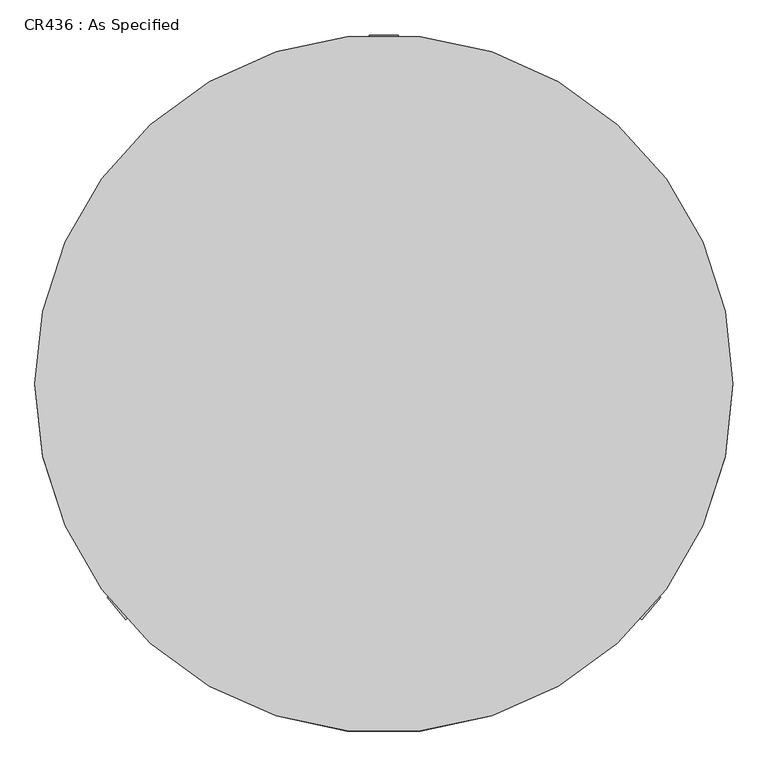
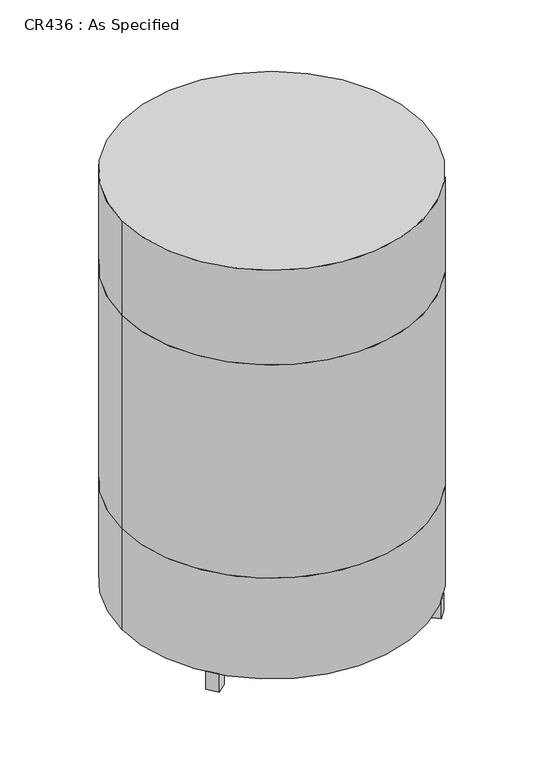
"""IFC4 building model written with IfcOpenShell, lengths in millimetres: proxy geometry, CR436 : As Specified."""

import ifcopenshell
import ifcopenshell.guid

model = None  # the IFC model being written
_history = None  # IfcOwnerHistory: only IFC2X3 demands one
_inside = {}  # id of a spatial element -> (the spatial element, [elements in it])
_under = {}  # id of a project, library or spatial element -> (it, [spatial elements below it])
_declared = {}  # id of a project -> (the project, [libraries it declares])
_typed = {}  # id of a type object -> (the type object, [elements of that type])
_made_of = {}  # id of a material, layer set ... -> (it, [elements and type objects made of it])


def new_model(schema):
    """Start an empty IFC model of exactly this schema.

    Asked for "IFC4X3", IfcOpenShell would pick the latest addendum, in which some entities
    have other attributes; the version numbers below select the first issue.
    IFC2X3 requires an IfcOwnerHistory on every rooted entity: one is made here for all.
    """
    global model, _history
    if schema == "IFC4X3":
        model = ifcopenshell.file(schema_version=(4, 3, 0, 0))
    else:
        model = ifcopenshell.file(schema=schema)
    _inside.clear()
    _under.clear()
    _declared.clear()
    _typed.clear()
    _made_of.clear()
    _history = None
    if model.schema == "IFC2X3":
        org = make("IfcOrganization", Name="unknown")
        user = make(
            "IfcPersonAndOrganization",
            ThePerson=make("IfcPerson", FamilyName="unknown"),
            TheOrganization=org,
        )
        app = make(
            "IfcApplication",
            ApplicationDeveloper=org,
            Version="unknown",
            ApplicationFullName="unknown",
            ApplicationIdentifier="unknown",
        )
        _history = make(
            "IfcOwnerHistory",
            OwningUser=user,
            OwningApplication=app,
            ChangeAction="ADDED",
            CreationDate=0,
        )
    return model


def make(cls, **values):
    """One entity of the class cls with the attributes given. An attribute that is None is left unset."""
    return model.create_entity(
        cls, **{name: value for name, value in values.items() if value is not None}
    )


def rooted(cls, **values):
    """An entity with a GlobalId (a new one), such as an element, a storey or a relation."""
    return make(cls, GlobalId=ifcopenshell.guid.new(), OwnerHistory=_history, **values)


def si_unit(unit_type, name, prefix=None):
    """IfcSIUnit, for example si_unit("LENGTHUNIT", "METRE", prefix="MILLI")."""
    return make("IfcSIUnit", UnitType=unit_type, Prefix=prefix, Name=name)


def assignment(units):
    """IfcUnitAssignment: the units of a project."""
    return None if units is None else make("IfcUnitAssignment", Units=units)


def point(xyz):
    """IfcCartesianPoint."""
    return None if xyz is None else make("IfcCartesianPoint", Coordinates=xyz)


def direction(xyz):
    """IfcDirection."""
    return None if xyz is None else make("IfcDirection", DirectionRatios=xyz)


def frame(location, z_axis=None, x_axis=None):
    """IfcAxis2Placement3D, a coordinate frame: its origin and axes. An axis left out is left unset."""
    return make(
        "IfcAxis2Placement3D",
        Location=point(location),
        Axis=direction(z_axis),
        RefDirection=direction(x_axis),
    )


def frame_2d(location, x_axis=None):
    """IfcAxis2Placement2D, a coordinate frame in the plane: its origin and x axis."""
    return make(
        "IfcAxis2Placement2D", Location=point(location), RefDirection=direction(x_axis)
    )


def origin():
    """The frame at (0, 0, 0) with its axes left unset."""
    return frame((0.0, 0.0, 0.0))


def origin_with_axes():
    """The frame at (0, 0, 0) with the z axis (0, 0, 1) and the x axis (1, 0, 0) written out."""
    return frame((0.0, 0.0, 0.0), z_axis=(0.0, 0.0, 1.0), x_axis=(1.0, 0.0, 0.0))


def origin_2d():
    """The frame at (0, 0) in the plane with its x axis left unset."""
    return frame_2d((0.0, 0.0))


def place(relative_to, where):
    """IfcLocalPlacement: puts the frame where relative to a parent placement (None: the world)."""
    return make(
        "IfcLocalPlacement", PlacementRelTo=relative_to, RelativePlacement=where
    )


def context(
    kind, dimensions, precision=None, world=None, true_north=None, identifier=None
):
    """IfcGeometricRepresentationContext, for example the 3D "Model" context."""
    return make(
        "IfcGeometricRepresentationContext",
        ContextIdentifier=identifier,
        ContextType=kind,
        CoordinateSpaceDimension=dimensions,
        Precision=precision,
        WorldCoordinateSystem=world,
        TrueNorth=true_north,
    )


def project(units=None, contexts=None):
    """IfcProject with its units and contexts."""
    return rooted(
        "IfcProject",
        Name="project",
        RepresentationContexts=contexts,
        UnitsInContext=assignment(units),
    )


def spatial(cls, under=None, at=None, **own):
    """A site, building, storey or space (cls), placed at a placement, below another one or the project."""
    s = rooted(cls, ObjectPlacement=at, **own)
    if under is not None:
        _under.setdefault(under.id(), (under, []))[1].append(s)
    return s


def polyline(points):
    """IfcPolyline through the points."""
    return make("IfcPolyline", Points=[point(p) for p in points])


def circle_curve(where, radius):
    """IfcCircle in the frame where."""
    return make("IfcCircle", Position=where, Radius=radius)


def trimmed(basis, trim1, trim2, sense, master):
    """IfcTrimmedCurve: the piece of a basis curve between two trims."""
    return make(
        "IfcTrimmedCurve",
        BasisCurve=basis,
        Trim1=trim1,
        Trim2=trim2,
        SenseAgreement=sense,
        MasterRepresentation=master,
    )


def segment(curve, same_sense, transition):
    """IfcCompositeCurveSegment."""
    return make(
        "IfcCompositeCurveSegment",
        Transition=transition,
        SameSense=same_sense,
        ParentCurve=curve,
    )


def composite_curve(segments, self_intersect=None):
    """IfcCompositeCurve: segments joined end to end."""
    return make("IfcCompositeCurve", Segments=segments, SelfIntersect=self_intersect)


def outline(outer, holes=None, kind="AREA"):
    """IfcArbitraryClosedProfileDef: a profile drawn as a closed curve; with holes, ...WithVoids."""
    if holes is None:
        return make("IfcArbitraryClosedProfileDef", ProfileType=kind, OuterCurve=outer)
    return make(
        "IfcArbitraryProfileDefWithVoids",
        ProfileType=kind,
        OuterCurve=outer,
        InnerCurves=holes,
    )


def extrude(swept, where, along, depth):
    """IfcExtrudedAreaSolid: the profile swept, set in the frame where, extruded along a direction by depth."""
    return make(
        "IfcExtrudedAreaSolid",
        SweptArea=swept,
        Position=where,
        ExtrudedDirection=direction(along),
        Depth=depth,
    )


def shape(context_of_items, identifier, shape_type, items):
    """IfcShapeRepresentation: the items that make up one representation, for example the "Body"."""
    return make(
        "IfcShapeRepresentation",
        ContextOfItems=context_of_items,
        RepresentationIdentifier=identifier,
        RepresentationType=shape_type,
        Items=items,
    )


def source(mapping_origin, context_of_items, identifier, shape_type, items):
    """IfcRepresentationMap: a shape defined once, which mapped items show again and again."""
    return make(
        "IfcRepresentationMap",
        MappingOrigin=mapping_origin,
        MappedRepresentation=shape(context_of_items, identifier, shape_type, items),
    )


def transform(
    local_origin,
    x_axis=None,
    y_axis=None,
    z_axis=None,
    scale=None,
    scale2=None,
    scale3=None,
    uniform=True,
):
    """IfcCartesianTransformationOperator3D, or its non-uniform kind. x_axis, y_axis, z_axis: its Axis1, 2, 3."""
    if uniform:
        return make(
            "IfcCartesianTransformationOperator3D",
            Axis1=direction(x_axis),
            Axis2=direction(y_axis),
            LocalOrigin=point(local_origin),
            Scale=scale,
            Axis3=direction(z_axis),
        )
    return make(
        "IfcCartesianTransformationOperator3DnonUniform",
        Axis1=direction(x_axis),
        Axis2=direction(y_axis),
        LocalOrigin=point(local_origin),
        Scale=scale,
        Axis3=direction(z_axis),
        Scale2=scale2,
        Scale3=scale3,
    )


def mapped(mapping_source, mapping_target):
    """IfcMappedItem: shows the shape of a source again, moved by a transform."""
    return make(
        "IfcMappedItem", MappingSource=mapping_source, MappingTarget=mapping_target
    )


def made_of(thing, what):
    """Note that an element or type object is made of a material, layer set ...; save() writes the relation."""
    if what is not None:
        _made_of.setdefault(what.id(), (what, []))[1].append(thing)
    return thing


def element(
    cls,
    number,
    at=None,
    inside=None,
    cuts=None,
    type_object=None,
    material=None,
    context=None,
    identifier="Body",
    shape_type=None,
    held_by="IfcProductDefinitionShape",
    body=None,
    shapes=None,
    **own,
):
    """One element of the class cls, such as IfcWall. Its Tag is "e" and its number.

    at: its placement. inside: the storey or other place that contains it. cuts: it is an
    opening in that element (IfcRelVoidsElement). A single representation is given by context,
    identifier, shape_type and body (its items); several are given by shapes. held_by: the class
    of the entity that holds the representations. save() writes the other relations.
    """
    e = rooted(cls, Tag="e%d" % number, ObjectPlacement=at, **own)
    if body is not None:
        shapes = [shape(context, identifier, shape_type, body)]
    if shapes is not None:
        e.Representation = make(held_by, Representations=shapes)
    if inside is not None:
        _inside.setdefault(inside.id(), (inside, []))[1].append(e)
    if cuts is not None:
        rooted(
            "IfcRelVoidsElement", RelatingBuildingElement=cuts, RelatedOpeningElement=e
        )
    if type_object is not None:
        _typed.setdefault(type_object.id(), (type_object, []))[1].append(e)
    return made_of(e, material)


def aggregate(whole, parts):
    """IfcRelAggregates: a whole, such as a stair, and the parts it consists of."""
    return rooted("IfcRelAggregates", RelatingObject=whole, RelatedObjects=parts)


def save(model, path):
    """Write the relations noted so far, then the file.

    IfcRelAggregates (storeys below a building ...), IfcRelContainedInSpatialStructure (elements
    in a storey), IfcRelDefinesByType, IfcRelAssociatesMaterial and IfcRelDeclares: one each for
    every whole, place, type object, material and project.
    """
    for whole, parts in _under.values():
        aggregate(whole, parts)
    for where, things in _inside.values():
        rooted(
            "IfcRelContainedInSpatialStructure",
            RelatedElements=things,
            RelatingStructure=where,
        )
    for kind, things in _typed.values():
        rooted("IfcRelDefinesByType", RelatedObjects=things, RelatingType=kind)
    for what, things in _made_of.values():
        rooted("IfcRelAssociatesMaterial", RelatedObjects=things, RelatingMaterial=what)
    for by, libraries in _declared.values():
        rooted("IfcRelDeclares", RelatingContext=by, RelatedDefinitions=libraries)
    model.write(path)


def cr436_as_specified_144b9cc6(model_context):
    return source(origin(), model_context, "Body", "SweptSolid", [
        extrude(outline(polyline([(-76.2, 431.8), (-76.2, 381.0), (-127.0, 381.0), (-127.0, 431.8), (-76.2, 431.8)])), frame((0.0, 0.0, 50.8), z_axis=(0.0, 0.0, 1.0), x_axis=(1.0, 0.0, 0.0)), (0.0, 0.0, 1.0), 25.4),
        extrude(outline(polyline([(76.2, 431.8), (127.0, 431.8), (127.0, 381.0), (76.2, 381.0), (76.2, 431.8)])), frame((0.0, 0.0, 50.8), z_axis=(0.0, 0.0, 1.0), x_axis=(1.0, 0.0, 0.0)), (0.0, 0.0, 1.0), 25.4),
        extrude(outline(polyline([(25.4, 609.6), (25.4, 558.8), (-25.4, 558.8), (-25.4, 609.6), (25.4, 609.6)])), origin_with_axes(), (0.0, 0.0, 1.0), 76.2),
        extrude(outline(polyline([(483.3074978, -372.385798), (450.6538872, -411.3008557), (411.7388295, -378.6472451), (444.3924401, -339.7321874), (483.3074978, -372.385798)])), origin_with_axes(), (0.0, 0.0, 1.0), 76.2),
        extrude(outline(polyline([(-483.3074978, -372.385798), (-444.3924401, -339.7321874), (-411.7388295, -378.6472451), (-450.6538872, -411.3008557), (-483.3074978, -372.385798)])), origin_with_axes(), (0.0, 0.0, 1.0), 76.2),
        extrude(outline(composite_curve([segment(trimmed(circle_curve(origin_2d(), 609.6), [point((609.6, 0.0))], [point((-609.6, 0.0))], False, "CARTESIAN"), True, "CONTINUOUS"), segment(trimmed(circle_curve(origin_2d(), 609.6), [point((-609.6, 0.0))], [point((609.6, 0.0))], False, "CARTESIAN"), True, "CONTINUOUS")], self_intersect=False)), frame((0.0, 0.0, 508.0), z_axis=(0.0, 0.0, 1.0), x_axis=(1.0, 0.0, 0.0)), (0.0, 0.0, 1.0), 914.4),
        extrude(outline(composite_curve([segment(trimmed(circle_curve(origin_2d(), 609.6), [point((609.6, 0.0))], [point((-609.6, 0.0))], False, "CARTESIAN"), True, "CONTINUOUS"), segment(trimmed(circle_curve(origin_2d(), 609.6), [point((-609.6, 0.0))], [point((609.6, 0.0))], False, "CARTESIAN"), True, "CONTINUOUS")], self_intersect=False)), frame((0.0, 0.0, 1422.4), z_axis=(0.0, 0.0, 1.0), x_axis=(1.0, 0.0, 0.0)), (0.0, 0.0, 1.0), 406.4),
        extrude(outline(composite_curve([segment(trimmed(circle_curve(origin_2d(), 609.6), [point((609.6, 0.0))], [point((-609.6, 0.0))], False, "CARTESIAN"), True, "CONTINUOUS"), segment(trimmed(circle_curve(origin_2d(), 609.6), [point((-609.6, 0.0))], [point((609.6, 0.0))], False, "CARTESIAN"), True, "CONTINUOUS")], self_intersect=False)), frame((0.0, 0.0, 76.2), z_axis=(0.0, 0.0, 1.0), x_axis=(1.0, 0.0, 0.0)), (0.0, 0.0, 1.0), 431.8),
    ])


if __name__ == "__main__":
    model = new_model("IFC4")
    model_context = context("Model", 3, world=origin())
    ifc_project = project(units=[si_unit("LENGTHUNIT", "METRE", prefix="MILLI")], contexts=[model_context])
    site = spatial("IfcSite", under=ifc_project)
    building = spatial("IfcBuilding", under=site)
    placement = place(None, origin())
    cr436_as_specified_shape = cr436_as_specified_144b9cc6(model_context)
    element("IfcBuildingElementProxy", 1, Name="CR436 : As Specified", ObjectType="CR436 : As Specified", at=placement, inside=building, context=model_context, shape_type="MappedRepresentation", body=[
        mapped(cr436_as_specified_shape, transform((0.0, 0.0, 0.0), x_axis=(1.0, 0.0, 0.0), y_axis=(0.0, 1.0, 0.0), z_axis=(0.0, 0.0, 1.0))),
    ])
    save(model, "model.ifc")
